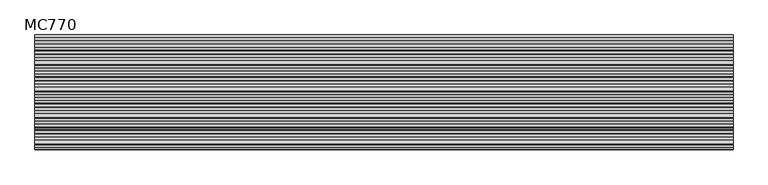
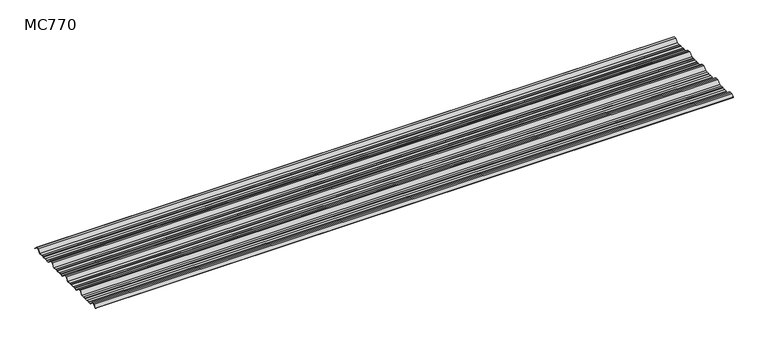
"""IFC4 building model written with IfcOpenShell, lengths in millimetres: beam geometry, MC770."""

import ifcopenshell
import ifcopenshell.guid

model = None  # the IFC model being written
_history = None  # IfcOwnerHistory: only IFC2X3 demands one
_inside = {}  # id of a spatial element -> (the spatial element, [elements in it])
_under = {}  # id of a project, library or spatial element -> (it, [spatial elements below it])
_declared = {}  # id of a project -> (the project, [libraries it declares])
_typed = {}  # id of a type object -> (the type object, [elements of that type])
_made_of = {}  # id of a material, layer set ... -> (it, [elements and type objects made of it])


def new_model(schema):
    """Start an empty IFC model of exactly this schema.

    Asked for "IFC4X3", IfcOpenShell would pick the latest addendum, in which some entities
    have other attributes; the version numbers below select the first issue.
    IFC2X3 requires an IfcOwnerHistory on every rooted entity: one is made here for all.
    """
    global model, _history
    if schema == "IFC4X3":
        model = ifcopenshell.file(schema_version=(4, 3, 0, 0))
    else:
        model = ifcopenshell.file(schema=schema)
    _inside.clear()
    _under.clear()
    _declared.clear()
    _typed.clear()
    _made_of.clear()
    _history = None
    if model.schema == "IFC2X3":
        org = make("IfcOrganization", Name="unknown")
        user = make(
            "IfcPersonAndOrganization",
            ThePerson=make("IfcPerson", FamilyName="unknown"),
            TheOrganization=org,
        )
        app = make(
            "IfcApplication",
            ApplicationDeveloper=org,
            Version="unknown",
            ApplicationFullName="unknown",
            ApplicationIdentifier="unknown",
        )
        _history = make(
            "IfcOwnerHistory",
            OwningUser=user,
            OwningApplication=app,
            ChangeAction="ADDED",
            CreationDate=0,
        )
    return model


def make(cls, **values):
    """One entity of the class cls with the attributes given. An attribute that is None is left unset."""
    return model.create_entity(
        cls, **{name: value for name, value in values.items() if value is not None}
    )


def rooted(cls, **values):
    """An entity with a GlobalId (a new one), such as an element, a storey or a relation."""
    return make(cls, GlobalId=ifcopenshell.guid.new(), OwnerHistory=_history, **values)


def si_unit(unit_type, name, prefix=None):
    """IfcSIUnit, for example si_unit("LENGTHUNIT", "METRE", prefix="MILLI")."""
    return make("IfcSIUnit", UnitType=unit_type, Prefix=prefix, Name=name)


def assignment(units):
    """IfcUnitAssignment: the units of a project."""
    return None if units is None else make("IfcUnitAssignment", Units=units)


def point(xyz):
    """IfcCartesianPoint."""
    return None if xyz is None else make("IfcCartesianPoint", Coordinates=xyz)


def direction(xyz):
    """IfcDirection."""
    return None if xyz is None else make("IfcDirection", DirectionRatios=xyz)


def frame(location, z_axis=None, x_axis=None):
    """IfcAxis2Placement3D, a coordinate frame: its origin and axes. An axis left out is left unset."""
    return make(
        "IfcAxis2Placement3D",
        Location=point(location),
        Axis=direction(z_axis),
        RefDirection=direction(x_axis),
    )


def frame_2d(location, x_axis=None):
    """IfcAxis2Placement2D, a coordinate frame in the plane: its origin and x axis."""
    return make(
        "IfcAxis2Placement2D", Location=point(location), RefDirection=direction(x_axis)
    )


def origin():
    """The frame at (0, 0, 0) with its axes left unset."""
    return frame((0.0, 0.0, 0.0))


def place(relative_to, where):
    """IfcLocalPlacement: puts the frame where relative to a parent placement (None: the world)."""
    return make(
        "IfcLocalPlacement", PlacementRelTo=relative_to, RelativePlacement=where
    )


def context(
    kind, dimensions, precision=None, world=None, true_north=None, identifier=None
):
    """IfcGeometricRepresentationContext, for example the 3D "Model" context."""
    return make(
        "IfcGeometricRepresentationContext",
        ContextIdentifier=identifier,
        ContextType=kind,
        CoordinateSpaceDimension=dimensions,
        Precision=precision,
        WorldCoordinateSystem=world,
        TrueNorth=true_north,
    )


def project(units=None, contexts=None):
    """IfcProject with its units and contexts."""
    return rooted(
        "IfcProject",
        Name="project",
        RepresentationContexts=contexts,
        UnitsInContext=assignment(units),
    )


def spatial(cls, under=None, at=None, **own):
    """A site, building, storey or space (cls), placed at a placement, below another one or the project."""
    s = rooted(cls, ObjectPlacement=at, **own)
    if under is not None:
        _under.setdefault(under.id(), (under, []))[1].append(s)
    return s


def polyline(points):
    """IfcPolyline through the points."""
    return make("IfcPolyline", Points=[point(p) for p in points])


def circle_curve(where, radius):
    """IfcCircle in the frame where."""
    return make("IfcCircle", Position=where, Radius=radius)


def trimmed(basis, trim1, trim2, sense, master):
    """IfcTrimmedCurve: the piece of a basis curve between two trims."""
    return make(
        "IfcTrimmedCurve",
        BasisCurve=basis,
        Trim1=trim1,
        Trim2=trim2,
        SenseAgreement=sense,
        MasterRepresentation=master,
    )


def segment(curve, same_sense, transition):
    """IfcCompositeCurveSegment."""
    return make(
        "IfcCompositeCurveSegment",
        Transition=transition,
        SameSense=same_sense,
        ParentCurve=curve,
    )


def composite_curve(segments, self_intersect=None):
    """IfcCompositeCurve: segments joined end to end."""
    return make("IfcCompositeCurve", Segments=segments, SelfIntersect=self_intersect)


def outline(outer, holes=None, kind="AREA"):
    """IfcArbitraryClosedProfileDef: a profile drawn as a closed curve; with holes, ...WithVoids."""
    if holes is None:
        return make("IfcArbitraryClosedProfileDef", ProfileType=kind, OuterCurve=outer)
    return make(
        "IfcArbitraryProfileDefWithVoids",
        ProfileType=kind,
        OuterCurve=outer,
        InnerCurves=holes,
    )


def extrude(swept, where, along, depth):
    """IfcExtrudedAreaSolid: the profile swept, set in the frame where, extruded along a direction by depth."""
    return make(
        "IfcExtrudedAreaSolid",
        SweptArea=swept,
        Position=where,
        ExtrudedDirection=direction(along),
        Depth=depth,
    )


def shape(context_of_items, identifier, shape_type, items):
    """IfcShapeRepresentation: the items that make up one representation, for example the "Body"."""
    return make(
        "IfcShapeRepresentation",
        ContextOfItems=context_of_items,
        RepresentationIdentifier=identifier,
        RepresentationType=shape_type,
        Items=items,
    )


def source(mapping_origin, context_of_items, identifier, shape_type, items):
    """IfcRepresentationMap: a shape defined once, which mapped items show again and again."""
    return make(
        "IfcRepresentationMap",
        MappingOrigin=mapping_origin,
        MappedRepresentation=shape(context_of_items, identifier, shape_type, items),
    )


def transform(
    local_origin,
    x_axis=None,
    y_axis=None,
    z_axis=None,
    scale=None,
    scale2=None,
    scale3=None,
    uniform=True,
):
    """IfcCartesianTransformationOperator3D, or its non-uniform kind. x_axis, y_axis, z_axis: its Axis1, 2, 3."""
    if uniform:
        return make(
            "IfcCartesianTransformationOperator3D",
            Axis1=direction(x_axis),
            Axis2=direction(y_axis),
            LocalOrigin=point(local_origin),
            Scale=scale,
            Axis3=direction(z_axis),
        )
    return make(
        "IfcCartesianTransformationOperator3DnonUniform",
        Axis1=direction(x_axis),
        Axis2=direction(y_axis),
        LocalOrigin=point(local_origin),
        Scale=scale,
        Axis3=direction(z_axis),
        Scale2=scale2,
        Scale3=scale3,
    )


def mapped(mapping_source, mapping_target):
    """IfcMappedItem: shows the shape of a source again, moved by a transform."""
    return make(
        "IfcMappedItem", MappingSource=mapping_source, MappingTarget=mapping_target
    )


def made_of(thing, what):
    """Note that an element or type object is made of a material, layer set ...; save() writes the relation."""
    if what is not None:
        _made_of.setdefault(what.id(), (what, []))[1].append(thing)
    return thing


def element(
    cls,
    number,
    at=None,
    inside=None,
    cuts=None,
    type_object=None,
    material=None,
    context=None,
    identifier="Body",
    shape_type=None,
    held_by="IfcProductDefinitionShape",
    body=None,
    shapes=None,
    **own,
):
    """One element of the class cls, such as IfcWall. Its Tag is "e" and its number.

    at: its placement. inside: the storey or other place that contains it. cuts: it is an
    opening in that element (IfcRelVoidsElement). A single representation is given by context,
    identifier, shape_type and body (its items); several are given by shapes. held_by: the class
    of the entity that holds the representations. save() writes the other relations.
    """
    e = rooted(cls, Tag="e%d" % number, ObjectPlacement=at, **own)
    if body is not None:
        shapes = [shape(context, identifier, shape_type, body)]
    if shapes is not None:
        e.Representation = make(held_by, Representations=shapes)
    if inside is not None:
        _inside.setdefault(inside.id(), (inside, []))[1].append(e)
    if cuts is not None:
        rooted(
            "IfcRelVoidsElement", RelatingBuildingElement=cuts, RelatedOpeningElement=e
        )
    if type_object is not None:
        _typed.setdefault(type_object.id(), (type_object, []))[1].append(e)
    return made_of(e, material)


def aggregate(whole, parts):
    """IfcRelAggregates: a whole, such as a stair, and the parts it consists of."""
    return rooted("IfcRelAggregates", RelatingObject=whole, RelatedObjects=parts)


def save(model, path):
    """Write the relations noted so far, then the file.

    IfcRelAggregates (storeys below a building ...), IfcRelContainedInSpatialStructure (elements
    in a storey), IfcRelDefinesByType, IfcRelAssociatesMaterial and IfcRelDeclares: one each for
    every whole, place, type object, material and project.
    """
    for whole, parts in _under.values():
        aggregate(whole, parts)
    for where, things in _inside.values():
        rooted(
            "IfcRelContainedInSpatialStructure",
            RelatedElements=things,
            RelatingStructure=where,
        )
    for kind, things in _typed.values():
        rooted("IfcRelDefinesByType", RelatedObjects=things, RelatingType=kind)
    for what, things in _made_of.values():
        rooted("IfcRelAssociatesMaterial", RelatedObjects=things, RelatingMaterial=what)
    for by, libraries in _declared.values():
        rooted("IfcRelDeclares", RelatingContext=by, RelatedDefinitions=libraries)
    model.write(path)


def mc770_e280593c(model_context):
    return source(origin(), model_context, "Body", "SweptSolid", [
        extrude(outline(composite_curve([segment(polyline([(-155.0000967, -25.7896475), (-180.574511, 0.2103525), (-192.5, 0.2103525), (-204.425489, 0.2103525), (-229.9999033, -25.7896475), (-252.6975582, -25.7896475), (-255.9126024, -23.7494212), (-272.3405937, -23.7494212), (-276.7209114, -25.7896475), (-300.7790886, -25.7896475), (-305.1594063, -23.7494212), (-321.5873976, -23.7494212), (-324.8024418, -25.7896475), (-347.5000967, -25.7896475), (-373.074511, 0.2103525), (-385.0, 0.2103525), (-396.925489, 0.2103525), (-422.4999033, -25.7896475), (-445.1975582, -25.7896475), (-448.4126024, -23.7494212), (-464.8405937, -23.7494212), (-469.2209114, -25.7896475), (-493.2790886, -25.7896475), (-497.6594063, -23.7494212), (-514.0873976, -23.7494212), (-517.3024418, -25.7896475), (-540.0000967, -25.7896475), (-565.574511, 0.2103525), (-577.5, 0.2103525), (-589.425489, 0.2103525), (-614.9999033, -25.7896475), (-637.6975582, -25.7896475), (-640.9126024, -23.7494212), (-657.3405937, -23.7494212), (-661.7209114, -25.7896475), (-685.7790886, -25.7896475), (-690.1594063, -23.7494212), (-706.5873976, -23.7494212), (-709.8024418, -25.7896475), (-732.5000967, -25.7896475), (-758.074511, 0.2103525), (-770.0, 0.2103525), (-781.925489, 0.2103525), (-801.261749, -19.4476836)]), True, "CONTINUOUS"), segment(trimmed(circle_curve(frame_2d((-801.651258, -19.0516927)), 0.5554513), [point((-801.261749, -19.4476836))], [point((-802.0472489, -18.6621836))], False, "CARTESIAN"), True, "CONTINUOUS"), segment(polyline([(-802.0472489, -18.6621836), (-782.5, 1.2103525), (-770.0, 1.2103525), (-757.5, 1.2103525), (-731.9255858, -24.7896475), (-710.0929563, -24.7896475), (-706.8779121, -22.7494212), (-689.9379428, -22.7494212), (-685.5576251, -24.7896475), (-661.9423749, -24.7896475), (-657.5620572, -22.7494212), (-640.6220879, -22.7494212), (-637.4070437, -24.7896475), (-615.5744142, -24.7896475), (-590.0, 1.2103525), (-577.5, 1.2103525), (-565.0, 1.2103525), (-539.4255858, -24.7896475), (-517.5929563, -24.7896475), (-514.3779121, -22.7494212), (-497.4379428, -22.7494212), (-493.0576251, -24.7896475), (-469.4423749, -24.7896475), (-465.0620572, -22.7494212), (-448.1220879, -22.7494212), (-444.9070437, -24.7896475), (-423.0744142, -24.7896475), (-397.5, 1.2103525), (-385.0, 1.2103525), (-372.5, 1.2103525), (-346.9255858, -24.7896475), (-325.0929563, -24.7896475), (-321.8779121, -22.7494212), (-304.9379428, -22.7494212), (-300.5576251, -24.7896475), (-276.9423749, -24.7896475), (-272.5620572, -22.7494212), (-255.6220879, -22.7494212), (-252.4070437, -24.7896475), (-230.5744142, -24.7896475), (-205.0, 1.2103525), (-192.5, 1.2103525), (-180.0, 1.2103525), (-154.4255858, -24.7896475), (-132.5929563, -24.7896475), (-129.3779121, -22.7494212), (-112.4379428, -22.7494212), (-108.0576251, -24.7896475), (-84.4423749, -24.7896475), (-80.0620572, -22.7494212), (-63.1220879, -22.7494212), (-59.9070437, -24.7896475), (-35.113585, -24.7896475), (-11.5064334, -0.7896475), (11.5064334, -0.7896475), (31.651812, -21.2702668)]), True, "CONTINUOUS"), segment(trimmed(circle_curve(frame_2d((31.295329, -21.6209146)), 0.500034), [point((31.651812, -21.2702668))], [point((30.9446811, -21.9773977))], False, "CARTESIAN"), True, "CONTINUOUS"), segment(polyline([(30.9446811, -21.9773977), (11.0873778, -1.7896475), (-11.0873778, -1.7896475), (-34.6945294, -25.7896475), (-60.1975582, -25.7896475), (-63.4126024, -23.7494212), (-79.8405937, -23.7494212), (-84.2209114, -25.7896475), (-108.2790886, -25.7896475), (-112.6594063, -23.7494212), (-129.0873976, -23.7494212), (-132.3024418, -25.7896475), (-155.0000967, -25.7896475)]), True, "CONTINUOUS")], self_intersect=False)), frame((-2535.0, 0.0, 0.0), z_axis=(1.0, 0.0, 0.0), x_axis=(0.0, 1.0, 0.0)), (0.0, 0.0, 1.0), 5070.0),
    ])


if __name__ == "__main__":
    model = new_model("IFC4")
    model_context = context("Model", 3, world=origin())
    ifc_project = project(units=[si_unit("LENGTHUNIT", "METRE", prefix="MILLI")], contexts=[model_context])
    site = spatial("IfcSite", under=ifc_project)
    building = spatial("IfcBuilding", under=site)
    placement = place(None, origin())
    mc770_shape = mc770_e280593c(model_context)
    element("IfcBeam", 1, ObjectType="MC770", at=placement, inside=building, context=model_context, shape_type="MappedRepresentation", body=[
        mapped(mc770_shape, transform((0.0, 0.0, 0.0), x_axis=(1.0, 0.0, 0.0), y_axis=(0.0, 1.0, 0.0), z_axis=(0.0, 0.0, 1.0))),
    ])
    save(model, "model.ifc")
